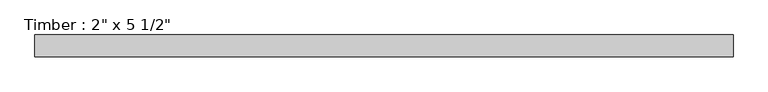
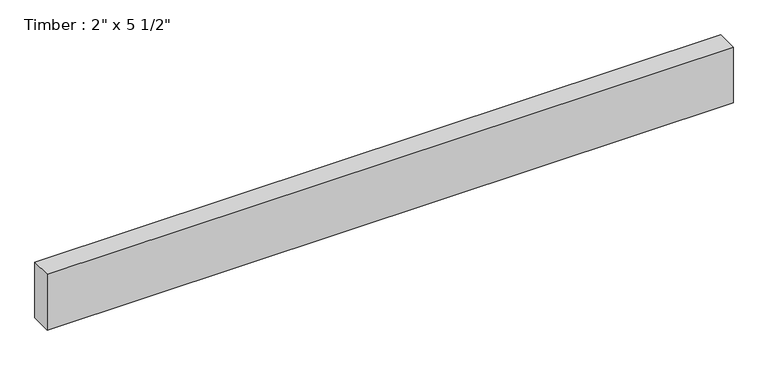
"""IFC4 building model written with IfcOpenShell, lengths in millimetres: beam geometry."""

from ifc_helpers import new_model, si_unit, frame, origin, place, context, project, spatial, polyline, outline, extrude, source, transform, mapped, element, save


def beam_ce2a47da(model_context):
    return source(origin(), model_context, "Body", "SweptSolid", [
        extrude(outline(polyline([(810.6125154, 25.4), (810.6125154, -25.4), (-815.1727153, -25.4), (-815.1727153, 25.4), (810.6125154, 25.4)])), frame((0.0, 0.0, -69.85), z_axis=(0.0, 0.0, 1.0), x_axis=(1.0, 0.0, 0.0)), (0.0, 0.0, 1.0), 139.7),
    ])


if __name__ == "__main__":
    model = new_model("IFC4")
    model_context = context("Model", 3, world=origin())
    ifc_project = project(units=[si_unit("LENGTHUNIT", "METRE", prefix="MILLI")], contexts=[model_context])
    site = spatial("IfcSite", under=ifc_project)
    building = spatial("IfcBuilding", under=site)
    placement = place(None, origin())
    beam_shape = beam_ce2a47da(model_context)
    element("IfcBeam", 1, ObjectType="Timber : 2\" x 5 1/2\"", at=placement, inside=building, context=model_context, shape_type="MappedRepresentation", body=[
        mapped(beam_shape, transform((0.0, 0.0, 0.0), x_axis=(1.0, 0.0, 0.0), y_axis=(0.0, 1.0, 0.0), z_axis=(0.0, 0.0, 1.0))),
    ])
    save(model, "model.ifc")
